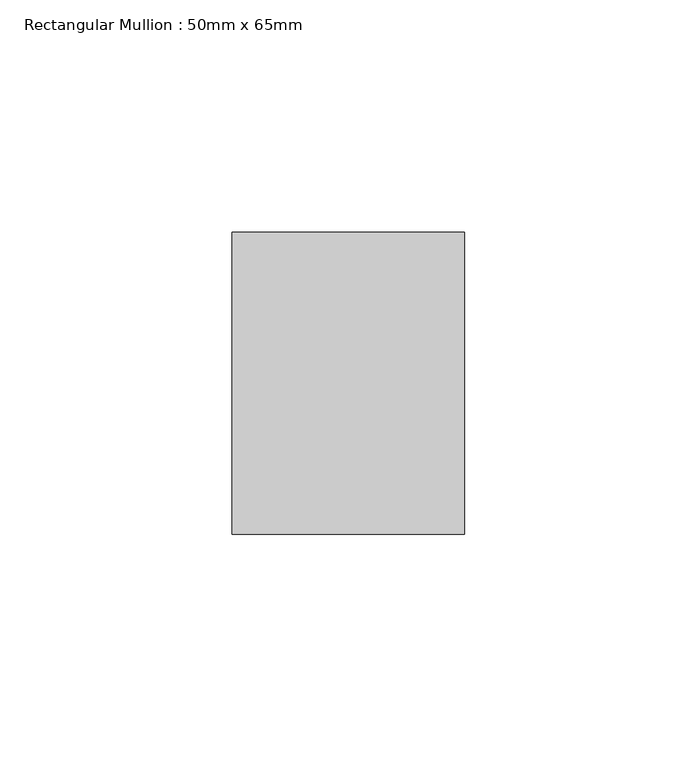
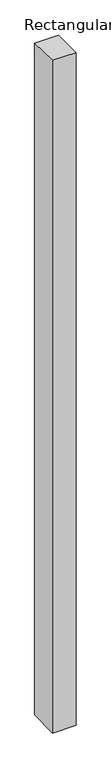
"""IFC4 building model written with IfcOpenShell, lengths in millimetres: member geometry, Rectangular Mullion : 50mm x 65mm."""

import ifcopenshell
import ifcopenshell.guid

model = None  # the IFC model being written
_history = None  # IfcOwnerHistory: only IFC2X3 demands one
_inside = {}  # id of a spatial element -> (the spatial element, [elements in it])
_under = {}  # id of a project, library or spatial element -> (it, [spatial elements below it])
_declared = {}  # id of a project -> (the project, [libraries it declares])
_typed = {}  # id of a type object -> (the type object, [elements of that type])
_made_of = {}  # id of a material, layer set ... -> (it, [elements and type objects made of it])


def new_model(schema):
    """Start an empty IFC model of exactly this schema.

    Asked for "IFC4X3", IfcOpenShell would pick the latest addendum, in which some entities
    have other attributes; the version numbers below select the first issue.
    IFC2X3 requires an IfcOwnerHistory on every rooted entity: one is made here for all.
    """
    global model, _history
    if schema == "IFC4X3":
        model = ifcopenshell.file(schema_version=(4, 3, 0, 0))
    else:
        model = ifcopenshell.file(schema=schema)
    _inside.clear()
    _under.clear()
    _declared.clear()
    _typed.clear()
    _made_of.clear()
    _history = None
    if model.schema == "IFC2X3":
        org = make("IfcOrganization", Name="unknown")
        user = make(
            "IfcPersonAndOrganization",
            ThePerson=make("IfcPerson", FamilyName="unknown"),
            TheOrganization=org,
        )
        app = make(
            "IfcApplication",
            ApplicationDeveloper=org,
            Version="unknown",
            ApplicationFullName="unknown",
            ApplicationIdentifier="unknown",
        )
        _history = make(
            "IfcOwnerHistory",
            OwningUser=user,
            OwningApplication=app,
            ChangeAction="ADDED",
            CreationDate=0,
        )
    return model


def make(cls, **values):
    """One entity of the class cls with the attributes given. An attribute that is None is left unset."""
    return model.create_entity(
        cls, **{name: value for name, value in values.items() if value is not None}
    )


def rooted(cls, **values):
    """An entity with a GlobalId (a new one), such as an element, a storey or a relation."""
    return make(cls, GlobalId=ifcopenshell.guid.new(), OwnerHistory=_history, **values)


def si_unit(unit_type, name, prefix=None):
    """IfcSIUnit, for example si_unit("LENGTHUNIT", "METRE", prefix="MILLI")."""
    return make("IfcSIUnit", UnitType=unit_type, Prefix=prefix, Name=name)


def assignment(units):
    """IfcUnitAssignment: the units of a project."""
    return None if units is None else make("IfcUnitAssignment", Units=units)


def point(xyz):
    """IfcCartesianPoint."""
    return None if xyz is None else make("IfcCartesianPoint", Coordinates=xyz)


def direction(xyz):
    """IfcDirection."""
    return None if xyz is None else make("IfcDirection", DirectionRatios=xyz)


def frame(location, z_axis=None, x_axis=None):
    """IfcAxis2Placement3D, a coordinate frame: its origin and axes. An axis left out is left unset."""
    return make(
        "IfcAxis2Placement3D",
        Location=point(location),
        Axis=direction(z_axis),
        RefDirection=direction(x_axis),
    )


def origin():
    """The frame at (0, 0, 0) with its axes left unset."""
    return frame((0.0, 0.0, 0.0))


def place(relative_to, where):
    """IfcLocalPlacement: puts the frame where relative to a parent placement (None: the world)."""
    return make(
        "IfcLocalPlacement", PlacementRelTo=relative_to, RelativePlacement=where
    )


def context(
    kind, dimensions, precision=None, world=None, true_north=None, identifier=None
):
    """IfcGeometricRepresentationContext, for example the 3D "Model" context."""
    return make(
        "IfcGeometricRepresentationContext",
        ContextIdentifier=identifier,
        ContextType=kind,
        CoordinateSpaceDimension=dimensions,
        Precision=precision,
        WorldCoordinateSystem=world,
        TrueNorth=true_north,
    )


def project(units=None, contexts=None):
    """IfcProject with its units and contexts."""
    return rooted(
        "IfcProject",
        Name="project",
        RepresentationContexts=contexts,
        UnitsInContext=assignment(units),
    )


def spatial(cls, under=None, at=None, **own):
    """A site, building, storey or space (cls), placed at a placement, below another one or the project."""
    s = rooted(cls, ObjectPlacement=at, **own)
    if under is not None:
        _under.setdefault(under.id(), (under, []))[1].append(s)
    return s


def polyline(points):
    """IfcPolyline through the points."""
    return make("IfcPolyline", Points=[point(p) for p in points])


def outline(outer, holes=None, kind="AREA"):
    """IfcArbitraryClosedProfileDef: a profile drawn as a closed curve; with holes, ...WithVoids."""
    if holes is None:
        return make("IfcArbitraryClosedProfileDef", ProfileType=kind, OuterCurve=outer)
    return make(
        "IfcArbitraryProfileDefWithVoids",
        ProfileType=kind,
        OuterCurve=outer,
        InnerCurves=holes,
    )


def extrude(swept, where, along, depth):
    """IfcExtrudedAreaSolid: the profile swept, set in the frame where, extruded along a direction by depth."""
    return make(
        "IfcExtrudedAreaSolid",
        SweptArea=swept,
        Position=where,
        ExtrudedDirection=direction(along),
        Depth=depth,
    )


def shape(context_of_items, identifier, shape_type, items):
    """IfcShapeRepresentation: the items that make up one representation, for example the "Body"."""
    return make(
        "IfcShapeRepresentation",
        ContextOfItems=context_of_items,
        RepresentationIdentifier=identifier,
        RepresentationType=shape_type,
        Items=items,
    )


def source(mapping_origin, context_of_items, identifier, shape_type, items):
    """IfcRepresentationMap: a shape defined once, which mapped items show again and again."""
    return make(
        "IfcRepresentationMap",
        MappingOrigin=mapping_origin,
        MappedRepresentation=shape(context_of_items, identifier, shape_type, items),
    )


def transform(
    local_origin,
    x_axis=None,
    y_axis=None,
    z_axis=None,
    scale=None,
    scale2=None,
    scale3=None,
    uniform=True,
):
    """IfcCartesianTransformationOperator3D, or its non-uniform kind. x_axis, y_axis, z_axis: its Axis1, 2, 3."""
    if uniform:
        return make(
            "IfcCartesianTransformationOperator3D",
            Axis1=direction(x_axis),
            Axis2=direction(y_axis),
            LocalOrigin=point(local_origin),
            Scale=scale,
            Axis3=direction(z_axis),
        )
    return make(
        "IfcCartesianTransformationOperator3DnonUniform",
        Axis1=direction(x_axis),
        Axis2=direction(y_axis),
        LocalOrigin=point(local_origin),
        Scale=scale,
        Axis3=direction(z_axis),
        Scale2=scale2,
        Scale3=scale3,
    )


def mapped(mapping_source, mapping_target):
    """IfcMappedItem: shows the shape of a source again, moved by a transform."""
    return make(
        "IfcMappedItem", MappingSource=mapping_source, MappingTarget=mapping_target
    )


def made_of(thing, what):
    """Note that an element or type object is made of a material, layer set ...; save() writes the relation."""
    if what is not None:
        _made_of.setdefault(what.id(), (what, []))[1].append(thing)
    return thing


def element(
    cls,
    number,
    at=None,
    inside=None,
    cuts=None,
    type_object=None,
    material=None,
    context=None,
    identifier="Body",
    shape_type=None,
    held_by="IfcProductDefinitionShape",
    body=None,
    shapes=None,
    **own,
):
    """One element of the class cls, such as IfcWall. Its Tag is "e" and its number.

    at: its placement. inside: the storey or other place that contains it. cuts: it is an
    opening in that element (IfcRelVoidsElement). A single representation is given by context,
    identifier, shape_type and body (its items); several are given by shapes. held_by: the class
    of the entity that holds the representations. save() writes the other relations.
    """
    e = rooted(cls, Tag="e%d" % number, ObjectPlacement=at, **own)
    if body is not None:
        shapes = [shape(context, identifier, shape_type, body)]
    if shapes is not None:
        e.Representation = make(held_by, Representations=shapes)
    if inside is not None:
        _inside.setdefault(inside.id(), (inside, []))[1].append(e)
    if cuts is not None:
        rooted(
            "IfcRelVoidsElement", RelatingBuildingElement=cuts, RelatedOpeningElement=e
        )
    if type_object is not None:
        _typed.setdefault(type_object.id(), (type_object, []))[1].append(e)
    return made_of(e, material)


def aggregate(whole, parts):
    """IfcRelAggregates: a whole, such as a stair, and the parts it consists of."""
    return rooted("IfcRelAggregates", RelatingObject=whole, RelatedObjects=parts)


def save(model, path):
    """Write the relations noted so far, then the file.

    IfcRelAggregates (storeys below a building ...), IfcRelContainedInSpatialStructure (elements
    in a storey), IfcRelDefinesByType, IfcRelAssociatesMaterial and IfcRelDeclares: one each for
    every whole, place, type object, material and project.
    """
    for whole, parts in _under.values():
        aggregate(whole, parts)
    for where, things in _inside.values():
        rooted(
            "IfcRelContainedInSpatialStructure",
            RelatedElements=things,
            RelatingStructure=where,
        )
    for kind, things in _typed.values():
        rooted("IfcRelDefinesByType", RelatedObjects=things, RelatingType=kind)
    for what, things in _made_of.values():
        rooted("IfcRelAssociatesMaterial", RelatedObjects=things, RelatingMaterial=what)
    for by, libraries in _declared.values():
        rooted("IfcRelDeclares", RelatingContext=by, RelatedDefinitions=libraries)
    model.write(path)


def rectangular_mullion_50mm_x_65mm_e812f379(model_context):
    return source(origin(), model_context, "Body", "SweptSolid", [
        extrude(outline(polyline([(-32.5, 0.6022166), (32.5, -0.6022165), (32.5, -1499.4355581), (-32.5, -1500.5630078), (-32.5, 0.6022166)])), frame((-25.0, 0.0, 0.0), z_axis=(1.0, 0.0, 0.0), x_axis=(0.0, 1.0, 0.0)), (0.0, 0.0, 1.0), 50.0),
    ])


if __name__ == "__main__":
    model = new_model("IFC4")
    model_context = context("Model", 3, world=origin())
    ifc_project = project(units=[si_unit("LENGTHUNIT", "METRE", prefix="MILLI")], contexts=[model_context])
    site = spatial("IfcSite", under=ifc_project)
    building = spatial("IfcBuilding", under=site)
    placement = place(None, origin())
    rectangular_mullion_50mm_x_65mm_shape = rectangular_mullion_50mm_x_65mm_e812f379(model_context)
    element("IfcMember", 1, ObjectType="Rectangular Mullion : 50mm x 65mm", at=placement, inside=building, context=model_context, shape_type="MappedRepresentation", body=[
        mapped(rectangular_mullion_50mm_x_65mm_shape, transform((0.0, 0.0, 0.0), x_axis=(1.0, 0.0, 0.0), y_axis=(0.0, 1.0, 0.0), z_axis=(0.0, 0.0, 1.0))),
    ])
    save(model, "model.ifc")
